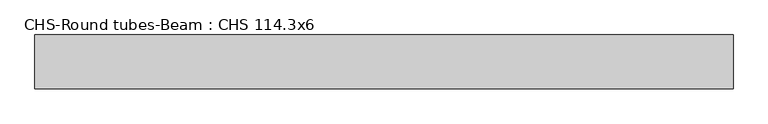
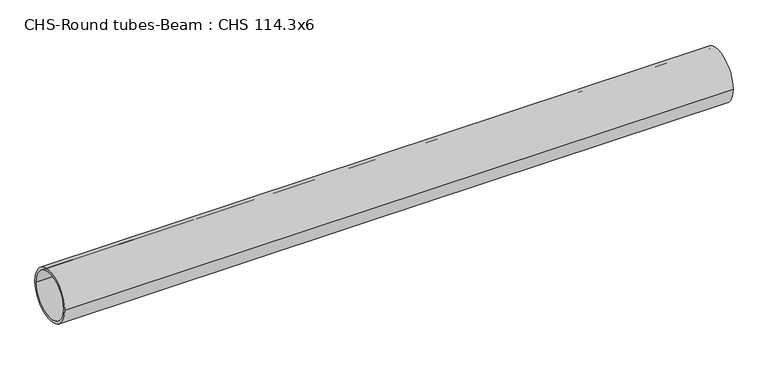
"""IFC4 building model written with IfcOpenShell, lengths in millimetres: beam geometry, CHS-Round tubes-Beam : CHS 114.3x6."""

import ifcopenshell
import ifcopenshell.guid

model = None  # the IFC model being written
_history = None  # IfcOwnerHistory: only IFC2X3 demands one
_inside = {}  # id of a spatial element -> (the spatial element, [elements in it])
_under = {}  # id of a project, library or spatial element -> (it, [spatial elements below it])
_declared = {}  # id of a project -> (the project, [libraries it declares])
_typed = {}  # id of a type object -> (the type object, [elements of that type])
_made_of = {}  # id of a material, layer set ... -> (it, [elements and type objects made of it])


def new_model(schema):
    """Start an empty IFC model of exactly this schema.

    Asked for "IFC4X3", IfcOpenShell would pick the latest addendum, in which some entities
    have other attributes; the version numbers below select the first issue.
    IFC2X3 requires an IfcOwnerHistory on every rooted entity: one is made here for all.
    """
    global model, _history
    if schema == "IFC4X3":
        model = ifcopenshell.file(schema_version=(4, 3, 0, 0))
    else:
        model = ifcopenshell.file(schema=schema)
    _inside.clear()
    _under.clear()
    _declared.clear()
    _typed.clear()
    _made_of.clear()
    _history = None
    if model.schema == "IFC2X3":
        org = make("IfcOrganization", Name="unknown")
        user = make(
            "IfcPersonAndOrganization",
            ThePerson=make("IfcPerson", FamilyName="unknown"),
            TheOrganization=org,
        )
        app = make(
            "IfcApplication",
            ApplicationDeveloper=org,
            Version="unknown",
            ApplicationFullName="unknown",
            ApplicationIdentifier="unknown",
        )
        _history = make(
            "IfcOwnerHistory",
            OwningUser=user,
            OwningApplication=app,
            ChangeAction="ADDED",
            CreationDate=0,
        )
    return model


def make(cls, **values):
    """One entity of the class cls with the attributes given. An attribute that is None is left unset."""
    return model.create_entity(
        cls, **{name: value for name, value in values.items() if value is not None}
    )


def rooted(cls, **values):
    """An entity with a GlobalId (a new one), such as an element, a storey or a relation."""
    return make(cls, GlobalId=ifcopenshell.guid.new(), OwnerHistory=_history, **values)


def si_unit(unit_type, name, prefix=None):
    """IfcSIUnit, for example si_unit("LENGTHUNIT", "METRE", prefix="MILLI")."""
    return make("IfcSIUnit", UnitType=unit_type, Prefix=prefix, Name=name)


def assignment(units):
    """IfcUnitAssignment: the units of a project."""
    return None if units is None else make("IfcUnitAssignment", Units=units)


def point(xyz):
    """IfcCartesianPoint."""
    return None if xyz is None else make("IfcCartesianPoint", Coordinates=xyz)


def direction(xyz):
    """IfcDirection."""
    return None if xyz is None else make("IfcDirection", DirectionRatios=xyz)


def frame(location, z_axis=None, x_axis=None):
    """IfcAxis2Placement3D, a coordinate frame: its origin and axes. An axis left out is left unset."""
    return make(
        "IfcAxis2Placement3D",
        Location=point(location),
        Axis=direction(z_axis),
        RefDirection=direction(x_axis),
    )


def frame_2d(location, x_axis=None):
    """IfcAxis2Placement2D, a coordinate frame in the plane: its origin and x axis."""
    return make(
        "IfcAxis2Placement2D", Location=point(location), RefDirection=direction(x_axis)
    )


def origin():
    """The frame at (0, 0, 0) with its axes left unset."""
    return frame((0.0, 0.0, 0.0))


def origin_2d():
    """The frame at (0, 0) in the plane with its x axis left unset."""
    return frame_2d((0.0, 0.0))


def place(relative_to, where):
    """IfcLocalPlacement: puts the frame where relative to a parent placement (None: the world)."""
    return make(
        "IfcLocalPlacement", PlacementRelTo=relative_to, RelativePlacement=where
    )


def context(
    kind, dimensions, precision=None, world=None, true_north=None, identifier=None
):
    """IfcGeometricRepresentationContext, for example the 3D "Model" context."""
    return make(
        "IfcGeometricRepresentationContext",
        ContextIdentifier=identifier,
        ContextType=kind,
        CoordinateSpaceDimension=dimensions,
        Precision=precision,
        WorldCoordinateSystem=world,
        TrueNorth=true_north,
    )


def project(units=None, contexts=None):
    """IfcProject with its units and contexts."""
    return rooted(
        "IfcProject",
        Name="project",
        RepresentationContexts=contexts,
        UnitsInContext=assignment(units),
    )


def spatial(cls, under=None, at=None, **own):
    """A site, building, storey or space (cls), placed at a placement, below another one or the project."""
    s = rooted(cls, ObjectPlacement=at, **own)
    if under is not None:
        _under.setdefault(under.id(), (under, []))[1].append(s)
    return s


def circle_curve(where, radius):
    """IfcCircle in the frame where."""
    return make("IfcCircle", Position=where, Radius=radius)


def trimmed(basis, trim1, trim2, sense, master):
    """IfcTrimmedCurve: the piece of a basis curve between two trims."""
    return make(
        "IfcTrimmedCurve",
        BasisCurve=basis,
        Trim1=trim1,
        Trim2=trim2,
        SenseAgreement=sense,
        MasterRepresentation=master,
    )


def segment(curve, same_sense, transition):
    """IfcCompositeCurveSegment."""
    return make(
        "IfcCompositeCurveSegment",
        Transition=transition,
        SameSense=same_sense,
        ParentCurve=curve,
    )


def composite_curve(segments, self_intersect=None):
    """IfcCompositeCurve: segments joined end to end."""
    return make("IfcCompositeCurve", Segments=segments, SelfIntersect=self_intersect)


def outline(outer, holes=None, kind="AREA"):
    """IfcArbitraryClosedProfileDef: a profile drawn as a closed curve; with holes, ...WithVoids."""
    if holes is None:
        return make("IfcArbitraryClosedProfileDef", ProfileType=kind, OuterCurve=outer)
    return make(
        "IfcArbitraryProfileDefWithVoids",
        ProfileType=kind,
        OuterCurve=outer,
        InnerCurves=holes,
    )


def extrude(swept, where, along, depth):
    """IfcExtrudedAreaSolid: the profile swept, set in the frame where, extruded along a direction by depth."""
    return make(
        "IfcExtrudedAreaSolid",
        SweptArea=swept,
        Position=where,
        ExtrudedDirection=direction(along),
        Depth=depth,
    )


def shape(context_of_items, identifier, shape_type, items):
    """IfcShapeRepresentation: the items that make up one representation, for example the "Body"."""
    return make(
        "IfcShapeRepresentation",
        ContextOfItems=context_of_items,
        RepresentationIdentifier=identifier,
        RepresentationType=shape_type,
        Items=items,
    )


def source(mapping_origin, context_of_items, identifier, shape_type, items):
    """IfcRepresentationMap: a shape defined once, which mapped items show again and again."""
    return make(
        "IfcRepresentationMap",
        MappingOrigin=mapping_origin,
        MappedRepresentation=shape(context_of_items, identifier, shape_type, items),
    )


def transform(
    local_origin,
    x_axis=None,
    y_axis=None,
    z_axis=None,
    scale=None,
    scale2=None,
    scale3=None,
    uniform=True,
):
    """IfcCartesianTransformationOperator3D, or its non-uniform kind. x_axis, y_axis, z_axis: its Axis1, 2, 3."""
    if uniform:
        return make(
            "IfcCartesianTransformationOperator3D",
            Axis1=direction(x_axis),
            Axis2=direction(y_axis),
            LocalOrigin=point(local_origin),
            Scale=scale,
            Axis3=direction(z_axis),
        )
    return make(
        "IfcCartesianTransformationOperator3DnonUniform",
        Axis1=direction(x_axis),
        Axis2=direction(y_axis),
        LocalOrigin=point(local_origin),
        Scale=scale,
        Axis3=direction(z_axis),
        Scale2=scale2,
        Scale3=scale3,
    )


def mapped(mapping_source, mapping_target):
    """IfcMappedItem: shows the shape of a source again, moved by a transform."""
    return make(
        "IfcMappedItem", MappingSource=mapping_source, MappingTarget=mapping_target
    )


def made_of(thing, what):
    """Note that an element or type object is made of a material, layer set ...; save() writes the relation."""
    if what is not None:
        _made_of.setdefault(what.id(), (what, []))[1].append(thing)
    return thing


def element(
    cls,
    number,
    at=None,
    inside=None,
    cuts=None,
    type_object=None,
    material=None,
    context=None,
    identifier="Body",
    shape_type=None,
    held_by="IfcProductDefinitionShape",
    body=None,
    shapes=None,
    **own,
):
    """One element of the class cls, such as IfcWall. Its Tag is "e" and its number.

    at: its placement. inside: the storey or other place that contains it. cuts: it is an
    opening in that element (IfcRelVoidsElement). A single representation is given by context,
    identifier, shape_type and body (its items); several are given by shapes. held_by: the class
    of the entity that holds the representations. save() writes the other relations.
    """
    e = rooted(cls, Tag="e%d" % number, ObjectPlacement=at, **own)
    if body is not None:
        shapes = [shape(context, identifier, shape_type, body)]
    if shapes is not None:
        e.Representation = make(held_by, Representations=shapes)
    if inside is not None:
        _inside.setdefault(inside.id(), (inside, []))[1].append(e)
    if cuts is not None:
        rooted(
            "IfcRelVoidsElement", RelatingBuildingElement=cuts, RelatedOpeningElement=e
        )
    if type_object is not None:
        _typed.setdefault(type_object.id(), (type_object, []))[1].append(e)
    return made_of(e, material)


def aggregate(whole, parts):
    """IfcRelAggregates: a whole, such as a stair, and the parts it consists of."""
    return rooted("IfcRelAggregates", RelatingObject=whole, RelatedObjects=parts)


def save(model, path):
    """Write the relations noted so far, then the file.

    IfcRelAggregates (storeys below a building ...), IfcRelContainedInSpatialStructure (elements
    in a storey), IfcRelDefinesByType, IfcRelAssociatesMaterial and IfcRelDeclares: one each for
    every whole, place, type object, material and project.
    """
    for whole, parts in _under.values():
        aggregate(whole, parts)
    for where, things in _inside.values():
        rooted(
            "IfcRelContainedInSpatialStructure",
            RelatedElements=things,
            RelatingStructure=where,
        )
    for kind, things in _typed.values():
        rooted("IfcRelDefinesByType", RelatedObjects=things, RelatingType=kind)
    for what, things in _made_of.values():
        rooted("IfcRelAssociatesMaterial", RelatedObjects=things, RelatingMaterial=what)
    for by, libraries in _declared.values():
        rooted("IfcRelDeclares", RelatingContext=by, RelatedDefinitions=libraries)
    model.write(path)


def chs_round_tubes_beam_chs_114_3x6_d79b3188(model_context):
    return source(origin(), model_context, "Body", "SweptSolid", [
        extrude(outline(composite_curve([segment(trimmed(circle_curve(origin_2d(), 57.15), [point((57.15, 0.0))], [point((-57.15, 0.0))], False, "CARTESIAN"), True, "CONTINUOUS"), segment(trimmed(circle_curve(origin_2d(), 57.15), [point((-57.15, 0.0))], [point((57.15, 0.0))], False, "CARTESIAN"), True, "CONTINUOUS")], self_intersect=False), holes=[composite_curve([segment(trimmed(circle_curve(origin_2d(), 51.15), [point((51.15, 0.0))], [point((-51.15, 0.0))], True, "CARTESIAN"), True, "CONTINUOUS"), segment(trimmed(circle_curve(origin_2d(), 51.15), [point((-51.15, 0.0))], [point((51.15, 0.0))], True, "CARTESIAN"), True, "CONTINUOUS")], self_intersect=False)]), frame((-759.9672783, 0.0, 0.0), z_axis=(1.0, 0.0, 0.0), x_axis=(0.0, 1.0, 0.0)), (0.0, 0.0, 1.0), 1476.1405437),
    ])


if __name__ == "__main__":
    model = new_model("IFC4")
    model_context = context("Model", 3, world=origin())
    ifc_project = project(units=[si_unit("LENGTHUNIT", "METRE", prefix="MILLI")], contexts=[model_context])
    site = spatial("IfcSite", under=ifc_project)
    building = spatial("IfcBuilding", under=site)
    placement = place(None, origin())
    chs_round_tubes_beam_chs_114_3x6_shape = chs_round_tubes_beam_chs_114_3x6_d79b3188(model_context)
    element("IfcBeam", 1, ObjectType="CHS-Round tubes-Beam : CHS 114.3x6", at=placement, inside=building, context=model_context, shape_type="MappedRepresentation", body=[
        mapped(chs_round_tubes_beam_chs_114_3x6_shape, transform((0.0, 0.0, 0.0), x_axis=(1.0, 0.0, 0.0), y_axis=(0.0, 1.0, 0.0), z_axis=(0.0, 0.0, 1.0))),
    ])
    save(model, "model.ifc")
